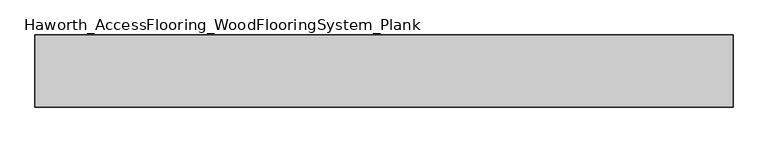
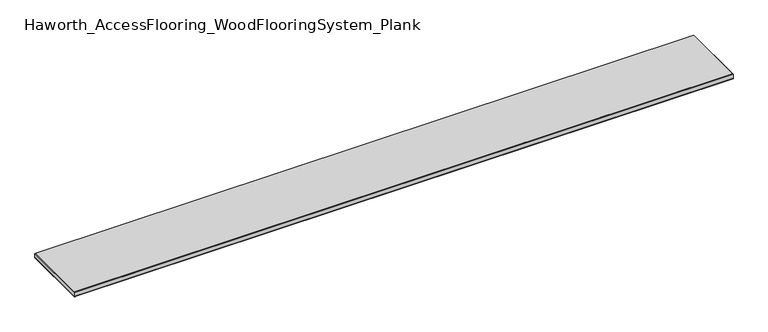
"""IFC4 building model written with IfcOpenShell, lengths in millimetres: proxy geometry, Haworth_AccessFlooring_WoodFlooringSystem_Plank."""

from ifc_helpers import new_model, si_unit, frame, origin, place, context, project, spatial, polyline, outline, extrude, faceted_brep, source, transform, mapped, element, save


def haworth_accessflooring_woodflooringsystem_plank_c54f97f4(model_context):
    return source(origin(), model_context, "Body", "SolidModel", [
        extrude(outline(polyline([(1064.5542189, 109.9839844), (1064.5542189, -109.9839844), (-1064.5542189, -109.9839844), (-1064.5542189, 109.9839844), (1064.5542189, 109.9839844)])), frame((0.0, 0.0, -15.875), z_axis=(0.0, 0.0, 1.0), x_axis=(1.0, 0.0, 0.0)), (0.0, 0.0, 1.0), 0.9921875),
        faceted_brep([(1064.5542189, 109.9839844, -14.8828125), (1064.5542189, -109.9839844, -14.8828125), (-1064.5542189, -109.9839844, -14.8828125), (-1064.5542189, 109.9839844, -14.8828125), (-1064.5542189, 109.9839844, -1.5875), (1064.5542189, 109.9839844, -1.5875), (-1064.5542189, -109.9839844, -1.5875), (1064.5542189, -109.9839844, -1.5875), (1062.9667189, 108.3964844, 0.0), (-1062.9667189, 108.3964844, 0.0), (-1062.9667189, -108.3964844, 0.0), (1062.9667189, -108.3964844, 0.0)], [[[0, 1, 2, 3]], [[0, 3, 4, 5]], [[3, 2, 6, 4]], [[2, 1, 7, 6]], [[1, 0, 5, 7]], [[8, 9, 10, 11]], [[9, 8, 5, 4]], [[10, 9, 4, 6]], [[11, 10, 6, 7]], [[8, 11, 7, 5]]]),
    ])


if __name__ == "__main__":
    model = new_model("IFC4")
    model_context = context("Model", 3, world=origin())
    ifc_project = project(units=[si_unit("LENGTHUNIT", "METRE", prefix="MILLI")], contexts=[model_context])
    site = spatial("IfcSite", under=ifc_project)
    building = spatial("IfcBuilding", under=site)
    placement = place(None, origin())
    haworth_accessflooring_woodflooringsystem_plank_shape = haworth_accessflooring_woodflooringsystem_plank_c54f97f4(model_context)
    element("IfcBuildingElementProxy", 1, Name="Haworth_AccessFlooring_WoodFlooringSystem_Plank", ObjectType="Haworth_AccessFlooring_WoodFlooringSystem_Plank", at=placement, inside=building, context=model_context, shape_type="MappedRepresentation", body=[
        mapped(haworth_accessflooring_woodflooringsystem_plank_shape, transform((0.0, 0.0, 0.0), x_axis=(1.0, 0.0, 0.0), y_axis=(0.0, 1.0, 0.0), z_axis=(0.0, 0.0, 1.0))),
    ])
    save(model, "model.ifc")
